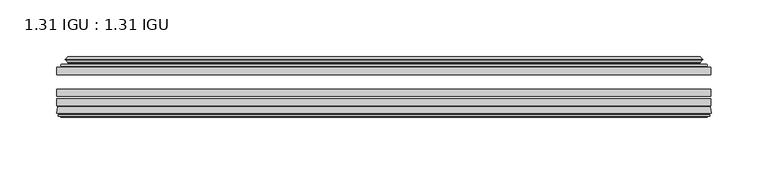
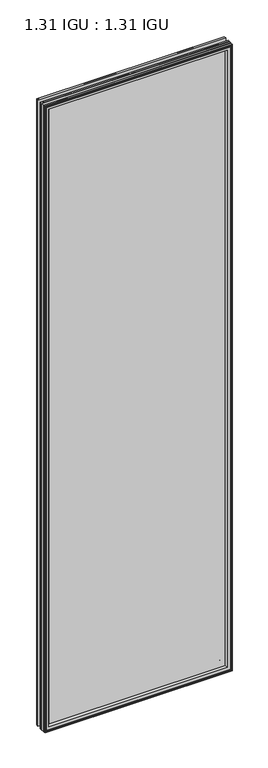
"""IFC4 building model written with IfcOpenShell, lengths in millimetres: plate geometry, 1.31 IGU : 1.31 IGU."""

from ifc_helpers import new_model, si_unit, frame, origin, place, context, project, spatial, polyline, ellipse_curve, outline, extrude, source, transform, mapped, element, save
from ifc_brep_helpers import plane_surface, cylinder_surface, revolved_surface, advanced_brep


def plate_1_31_igu_1_31_igu_b3a9a6b5(model_context):
    return source(origin(), model_context, "Body", "SolidModel", [
        extrude(outline(polyline([(287.2705532, -51.7723437), (287.2705532, -58.1223438), (-287.3375, -58.1223438), (-287.3375, -51.7723437), (287.2705532, -51.7723437)])), frame((0.0, 0.0, -14.2875), z_axis=(0.0, 0.0, 1.0), x_axis=(1.0, 0.0, 0.0)), (0.0, 0.0, 1.0), 2025.65),
        extrude(outline(polyline([(-287.3375, -85.4273438), (-287.3375, -79.0773437), (287.2705532, -79.0773437), (287.2705532, -85.4273438), (-287.3375, -85.4273438)])), frame((0.0, 0.0, -14.2875), z_axis=(0.0, 0.0, 1.0), x_axis=(1.0, 0.0, 0.0)), (0.0, 0.0, 1.0), 2025.65),
        extrude(outline(polyline([(-287.3375, -77.1723438), (-287.3375, -70.8223438), (287.2705532, -70.8223438), (287.2705532, -77.1723438), (-287.3375, -77.1723438)])), frame((0.0, 0.0, -14.2875), z_axis=(0.0, 0.0, 1.0), x_axis=(1.0, 0.0, 0.0)), (0.0, 0.0, 1.0), 2025.65),
        advanced_brep(
        [(-287.3502, -91.7773437, 2011.3752), (-286.6554162, -86.1187838, 2010.6804162), (-286.6554162, -86.1187838, -13.6054162), (-287.3502, -91.7773437, -14.3002), (-284.9626, -93.768408, 2008.9876), (-285.4198, -91.7773437, 2009.4448), (-285.4198, -91.7773437, -12.3698), (-284.9626, -93.768408, -11.9126), (-285.9639619, -93.5000939, 2009.9889619), (-285.9639619, -93.5000939, -12.9139619), (-286.2072, -94.407871, 2010.2322), (-286.2072, -94.407871, -13.1572), (-284.1752, -94.9523437, 2008.2002), (-284.1752, -94.9523437, -11.1252), (-282.1432, -94.407871, 2006.1682), (-282.1432, -94.407871, -9.0932), (-282.3864381, -93.5000939, 2006.4114381), (-282.3864381, -93.5000939, -9.3364381), (-283.3878, -93.768408, 2007.4128), (-283.3878, -93.768408, -10.3378), (-282.9306, -91.7773437, 2006.9556), (-282.9306, -91.7773437, -9.8806), (-268.8609786, -85.4273437, 1992.8859786), (-273.05, -91.7773437, 1997.075), (-273.05, -91.7773437, 0.0), (-268.8609786, -85.4273437, 4.1890214), (-285.8738854, -85.4273437, 2009.8988854), (-285.8738854, -85.4273437, -12.8238854), (286.6554162, -86.1187838, -13.6054162), (287.3502, -91.7773437, -14.3002), (285.4198, -91.7773437, -12.3698), (284.9626, -93.768408, -11.9126), (285.9639619, -93.5000939, -12.9139619), (286.2072, -94.407871, -13.1572), (284.1752, -94.9523437, -11.1252), (282.1432, -94.407871, -9.0932), (282.3864381, -93.5000939, -9.3364381), (283.3878, -93.768408, -10.3378), (282.9306, -91.7773437, -9.8806), (273.05, -91.7773437, 0.0), (268.8609786, -85.4273437, 4.1890214), (285.8738854, -85.4273437, -12.8238854), (286.6554162, -86.1187838, 2010.6804162), (287.3502, -91.7773437, 2011.3752), (285.4198, -91.7773437, 2009.4448), (284.9626, -93.768408, 2008.9876), (285.9639619, -93.5000939, 2009.9889619), (286.2072, -94.407871, 2010.2322), (284.1752, -94.9523437, 2008.2002), (282.1432, -94.407871, 2006.1682), (282.3864381, -93.5000939, 2006.4114381), (283.3878, -93.768408, 2007.4128), (282.9306, -91.7773437, 2006.9556), (273.05, -91.7773437, 1997.075), (268.8609786, -85.4273437, 1992.8859786), (285.8738854, -85.4273437, 2009.8988854)],
        [
            (0, 1),
            (1, 2),
            (2, 3),
            (3, 0),
            (4, 5),
            (5, 6),
            (6, 7),
            (7, 4),
            (8, 4),
            (7, 9),
            (9, 8),
            (10, 8),
            (9, 11),
            (11, 10),
            (12, 10),
            (11, 13),
            (13, 12),
            (14, 12),
            (13, 15),
            (15, 14),
            (16, 14),
            (15, 17),
            (17, 16),
            (18, 16),
            (17, 19),
            (19, 18),
            (20, 18),
            (19, 21),
            (21, 20),
            (22, 23, ellipse_curve(frame((-266.066106, -91.8278132, 1990.091106), z_axis=(0.7071067811865475, 0.0, 0.7071067811865475), x_axis=(0.7071067811865474, 0.0, -0.7071067811865476)), 9.8769754, 6.9840763)),
            (23, 24),
            (24, 25, ellipse_curve(frame((-266.066106, -91.8278132, 6.983894), z_axis=(0.7071067811865475, 0.0, -0.7071067811865475), x_axis=(-0.7071067811865474, 0.0, -0.7071067811865476)), 9.8769754, 6.9840763)),
            (25, 22),
            (1, 26, ellipse_curve(frame((-285.8738854, -86.2147437, 2009.8988854), z_axis=(-0.7071067811865475, 0.0, -0.7071067811865475), x_axis=(-0.7071067811865474, 0.0, 0.7071067811865476)), 1.1135518, 0.7874)),
            (26, 27),
            (27, 2, ellipse_curve(frame((-285.8738854, -86.2147437, -12.8238854), z_axis=(-0.7071067811865475, 0.0, 0.7071067811865475), x_axis=(0.7071067811865474, 0.0, 0.7071067811865476)), 1.1135518, 0.7874)),
            (2, 28),
            (28, 29),
            (29, 3),
            (6, 30),
            (30, 31),
            (31, 7),
            (31, 32),
            (32, 9),
            (32, 33),
            (33, 11),
            (33, 34),
            (34, 13),
            (34, 35),
            (35, 15),
            (35, 36),
            (36, 17),
            (36, 37),
            (37, 19),
            (37, 38),
            (38, 21),
            (24, 39),
            (39, 40, ellipse_curve(frame((266.066106, -91.8278132, 6.983894), z_axis=(0.7071067811865475, 0.0, 0.7071067811865475), x_axis=(0.7071067811865476, 0.0, -0.7071067811865474)), 9.8769754, 6.9840763)),
            (40, 25),
            (27, 41),
            (41, 28, ellipse_curve(frame((285.8738854, -86.2147437, -12.8238854), z_axis=(-0.7071067811865475, 0.0, -0.7071067811865475), x_axis=(-0.7071067811865476, 0.0, 0.7071067811865474)), 1.1135518, 0.7874)),
            (28, 42),
            (42, 43),
            (43, 29),
            (30, 44),
            (44, 45),
            (45, 31),
            (45, 46),
            (46, 32),
            (46, 47),
            (47, 33),
            (47, 48),
            (48, 34),
            (48, 49),
            (49, 35),
            (49, 50),
            (50, 36),
            (50, 51),
            (51, 37),
            (51, 52),
            (52, 38),
            (39, 53),
            (53, 54, ellipse_curve(frame((266.066106, -91.8278132, 1990.091106), z_axis=(-0.7071067811865475, 0.0, 0.7071067811865475), x_axis=(0.7071067811865474, 0.0, 0.7071067811865476)), 9.8769754, 6.9840763)),
            (54, 40),
            (41, 55),
            (55, 42, ellipse_curve(frame((285.8738854, -86.2147437, 2009.8988854), z_axis=(0.7071067811865475, 0.0, -0.7071067811865475), x_axis=(-0.7071067811865474, 0.0, -0.7071067811865476)), 1.1135518, 0.7874)),
            (42, 1),
            (0, 43),
            (5, 44),
            (4, 45),
            (8, 46),
            (10, 47),
            (12, 48),
            (14, 49),
            (16, 50),
            (18, 51),
            (20, 52),
            (23, 53),
            (22, 54),
            (26, 55),
        ],
        [
            plane_surface(frame((-286.6554162, -86.1187838, 2010.6804162), z_axis=(-0.9925461516413241, 0.12186934340513103, 0.0), x_axis=(0.0, 0.0, -1.0))),
            plane_surface(frame((-285.4198, -91.7773437, 2009.4448), z_axis=(-0.9746347637895992, -0.22380142361654515, 0.0), x_axis=(0.0, 0.0, -1.0))),
            plane_surface(frame((-284.9626, -93.768408, 2008.9876), z_axis=(0.25881904510266784, 0.9659258262890289, 0.0), x_axis=(0.0, 0.0, -1.0))),
            plane_surface(frame((-285.9639619, -93.5000939, 2009.9889619), z_axis=(-0.9659258262890449, 0.2588190451026083, 0.0), x_axis=(0.0, 0.0, -1.0))),
            plane_surface(frame((-286.2072, -94.407871, 2010.2322), z_axis=(-0.25881904510250453, -0.9659258262890726, 0.0), x_axis=(0.0, 0.0, -1.0))),
            plane_surface(frame((-284.1752, -94.9523437, 2008.2002), z_axis=(0.258819045102479, -0.9659258262890795, 0.0), x_axis=(0.0, 0.0, -1.0))),
            plane_surface(frame((-282.1432, -94.407871, 2006.1682), z_axis=(0.9659258262890272, 0.25881904510267406, 0.0), x_axis=(0.0, 0.0, -1.0))),
            plane_surface(frame((-282.3864381, -93.5000939, 2006.4114381), z_axis=(-0.25881904510234177, 0.9659258262891163, 0.0), x_axis=(0.0, 0.0, -1.0))),
            plane_surface(frame((-283.3878, -93.768408, 2007.4128), z_axis=(0.9746347637895937, -0.22380142361656946, 0.0), x_axis=(0.0, 0.0, -1.0))),
            revolved_surface(polyline([(-273.0501823, -91.8278132, -0.00018228295266453642), (-273.0501823, -91.8278132, 1997.0751822829527)]), (-266.066106, -91.8278132, 2028.825), (0.0, 0.0, -1.0)),
            cylinder_surface(frame((-285.8738854, -86.2147437, 2028.825), z_axis=(0.0, 0.0, 1.0), x_axis=(-1.0, 0.0, 0.0)), 0.7874),
            plane_surface(frame((-286.6554162, -86.1187838, -13.6054162), z_axis=(0.0, 0.12186934340512784, -0.9925461516413245), x_axis=(1.0, 0.0, 0.0))),
            plane_surface(frame((-285.4198, -91.7773437, -12.3698), z_axis=(0.0, -0.22380142361654828, -0.9746347637895986), x_axis=(1.0, 0.0, 0.0))),
            plane_surface(frame((-284.9626, -93.768408, -11.9126), z_axis=(0.0, 0.9659258262890298, 0.25881904510266474), x_axis=(1.0, 0.0, 0.0))),
            plane_surface(frame((-285.9639619, -93.5000939, -12.9139619), z_axis=(0.0, 0.25881904510260517, -0.9659258262890458), x_axis=(1.0, 0.0, 0.0))),
            plane_surface(frame((-286.2072, -94.407871, -13.1572), z_axis=(0.0, -0.9659258262890735, -0.2588190451025014), x_axis=(1.0, 0.0, 0.0))),
            plane_surface(frame((-284.1752, -94.9523437, -11.1252), z_axis=(0.0, -0.9659258262890786, 0.2588190451024821), x_axis=(1.0, 0.0, 0.0))),
            plane_surface(frame((-282.1432, -94.407871, -9.0932), z_axis=(0.0, 0.2588190451026772, 0.9659258262890265), x_axis=(1.0, 0.0, 0.0))),
            plane_surface(frame((-282.3864381, -93.5000939, -9.3364381), z_axis=(0.0, 0.9659258262891154, -0.2588190451023449), x_axis=(1.0, 0.0, 0.0))),
            plane_surface(frame((-283.3878, -93.768408, -10.3378), z_axis=(0.0, -0.22380142361656633, 0.9746347637895943), x_axis=(1.0, 0.0, 0.0))),
            revolved_surface(polyline([(273.0501822829527, -91.8278132, -0.00018229999999963553), (-273.0501822829527, -91.8278132, -0.00018229999999963553)]), (-304.8, -91.8278132, 6.983894), (1.0, 0.0, 0.0)),
            cylinder_surface(frame((-304.8, -86.2147437, -12.8238854), z_axis=(-1.0, 0.0, 0.0), x_axis=(0.0, 0.0, -1.0)), 0.7874),
            plane_surface(frame((286.6554162, -86.1187838, -13.6054162), z_axis=(0.992546151641325, 0.12186934340512465, 0.0), x_axis=(0.0, 0.0, 1.0))),
            plane_surface(frame((285.4198, -91.7773437, -12.3698), z_axis=(0.9746347637895978, -0.2238014236165514, 0.0), x_axis=(0.0, 0.0, 1.0))),
            plane_surface(frame((284.9626, -93.768408, -11.9126), z_axis=(-0.2588190451026616, 0.9659258262890307, 0.0), x_axis=(0.0, 0.0, 1.0))),
            plane_surface(frame((285.9639619, -93.5000939, -12.9139619), z_axis=(0.9659258262890467, 0.25881904510260206, 0.0), x_axis=(0.0, 0.0, 1.0))),
            plane_surface(frame((286.2072, -94.407871, -13.1572), z_axis=(0.2588190451024983, -0.9659258262890744, 0.0), x_axis=(0.0, 0.0, 1.0))),
            plane_surface(frame((284.1752, -94.9523437, -11.1252), z_axis=(-0.25881904510248527, -0.9659258262890779, 0.0), x_axis=(0.0, 0.0, 1.0))),
            plane_surface(frame((282.1432, -94.407871, -9.0932), z_axis=(-0.9659258262890256, 0.25881904510268033, 0.0), x_axis=(0.0, 0.0, 1.0))),
            plane_surface(frame((282.3864381, -93.5000939, -9.3364381), z_axis=(0.25881904510234804, 0.9659258262891146, 0.0), x_axis=(0.0, 0.0, 1.0))),
            plane_surface(frame((283.3878, -93.768408, -10.3378), z_axis=(-0.974634763789595, -0.2238014236165632, 0.0), x_axis=(0.0, 0.0, 1.0))),
            revolved_surface(polyline([(273.0501823, -91.8278132, 1997.0751822829527), (273.0501823, -91.8278132, -0.0001822829527107217)]), (266.066106, -91.8278132, -31.75), (0.0, 0.0, 1.0)),
            cylinder_surface(frame((285.8738854, -86.2147437, -31.75), z_axis=(0.0, 0.0, -1.0), x_axis=(1.0, 0.0, 0.0)), 0.7874),
            plane_surface(frame((286.6554162, -86.1187838, 2010.6804162), z_axis=(0.0, 0.12186934340512784, 0.9925461516413245), x_axis=(-1.0, 0.0, 0.0))),
            plane_surface(frame((287.3502, -91.7773437, 2011.3752), z_axis=(0.0, -1.0, 0.0), x_axis=(-1.0, 0.0, 0.0))),
            plane_surface(frame((285.4198, -91.7773437, 2009.4448), z_axis=(0.0, -0.22380142361654826, 0.9746347637895985), x_axis=(-1.0, 0.0, 0.0))),
            plane_surface(frame((284.9626, -93.768408, 2008.9876), z_axis=(0.0, 0.9659258262890298, -0.25881904510266474), x_axis=(-1.0, 0.0, 0.0))),
            plane_surface(frame((285.9639619, -93.5000939, 2009.9889619), z_axis=(0.0, 0.25881904510260517, 0.9659258262890458), x_axis=(-1.0, 0.0, 0.0))),
            plane_surface(frame((286.2072, -94.407871, 2010.2322), z_axis=(0.0, -0.9659258262890735, 0.2588190451025014), x_axis=(-1.0, 0.0, 0.0))),
            plane_surface(frame((284.1752, -94.9523437, 2008.2002), z_axis=(0.0, -0.9659258262890787, -0.25881904510248216), x_axis=(-1.0, 0.0, 0.0))),
            plane_surface(frame((282.1432, -94.407871, 2006.1682), z_axis=(0.0, 0.2588190451026772, -0.9659258262890265), x_axis=(-1.0, 0.0, 0.0))),
            plane_surface(frame((282.3864381, -93.5000939, 2006.4114381), z_axis=(0.0, 0.9659258262891155, 0.25881904510234494), x_axis=(-1.0, 0.0, 0.0))),
            plane_surface(frame((283.3878, -93.768408, 2007.4128), z_axis=(0.0, -0.22380142361656633, -0.9746347637895943), x_axis=(-1.0, 0.0, 0.0))),
            plane_surface(frame((282.9306, -91.7773437, 2006.9556), z_axis=(0.0, -1.0, 0.0), x_axis=(-1.0, 0.0, 0.0))),
            revolved_surface(polyline([(-273.0501822829527, -91.8278132, 1997.0751823), (273.0501822829527, -91.8278132, 1997.0751823)]), (304.8, -91.8278132, 1990.091106), (-1.0, 0.0, 0.0)),
            plane_surface(frame((268.8609786, -85.4273437, 1992.8859786), z_axis=(0.0, 1.0, 0.0), x_axis=(-1.0, 0.0, 0.0))),
            cylinder_surface(frame((304.8, -86.2147437, 2009.8988854), z_axis=(1.0, 0.0, 0.0), x_axis=(0.0, 0.0, 1.0)), 0.7874),
        ],
        [
            (0, [[1, 2, 3, 4]]),
            (1, [[5, 6, 7, 8]]),
            (2, [[9, -8, 10, 11]]),
            (3, [[12, -11, 13, 14]]),
            (4, [[15, -14, 16, 17]]),
            (5, [[18, -17, 19, 20]]),
            (6, [[21, -20, 22, 23]]),
            (7, [[24, -23, 25, 26]]),
            (8, [[27, -26, 28, 29]]),
            (9, [[30, 31, 32, 33]]),
            (10, [[34, 35, 36, -2]]),
            (11, [[-3, 37, 38, 39]]),
            (12, [[-7, 40, 41, 42]]),
            (13, [[-10, -42, 43, 44]]),
            (14, [[-13, -44, 45, 46]]),
            (15, [[-16, -46, 47, 48]]),
            (16, [[-19, -48, 49, 50]]),
            (17, [[-22, -50, 51, 52]]),
            (18, [[-25, -52, 53, 54]]),
            (19, [[-28, -54, 55, 56]]),
            (20, [[-32, 57, 58, 59]]),
            (21, [[-36, 60, 61, -37]]),
            (22, [[-38, 62, 63, 64]]),
            (23, [[-41, 65, 66, 67]]),
            (24, [[-43, -67, 68, 69]]),
            (25, [[-45, -69, 70, 71]]),
            (26, [[-47, -71, 72, 73]]),
            (27, [[-49, -73, 74, 75]]),
            (28, [[-51, -75, 76, 77]]),
            (29, [[-53, -77, 78, 79]]),
            (30, [[-55, -79, 80, 81]]),
            (31, [[-58, 82, 83, 84]]),
            (32, [[-61, 85, 86, -62]]),
            (33, [[-63, 87, -1, 88]]),
            (34, [[-39, -64, -88, -4], [89, -65, -40, -6]]),
            (35, [[-66, -89, -5, 90]]),
            (36, [[-68, -90, -9, 91]]),
            (37, [[-70, -91, -12, 92]]),
            (38, [[-72, -92, -15, 93]]),
            (39, [[-74, -93, -18, 94]]),
            (40, [[-76, -94, -21, 95]]),
            (41, [[-78, -95, -24, 96]]),
            (42, [[-80, -96, -27, 97]]),
            (43, [[-56, -81, -97, -29], [98, -82, -57, -31]]),
            (44, [[-83, -98, -30, 99]]),
            (45, [[100, -85, -60, -35], [-59, -84, -99, -33]]),
            (46, [[-86, -100, -34, -87]]),
        ],
    ),
        advanced_brep(
        [(-269.0022902, -50.6812421, 1993.0272902), (-269.4441004, -51.7723437, 1993.4691004), (-269.4441004, -51.7723437, 3.6058996), (-269.0022902, -50.6812421, 4.0477098), (-273.05, -42.9585437, 1997.075), (-273.05, -42.9585437, 0.0), (-278.2359109, -44.1396428, 2002.2609109), (-278.2359109, -44.1396428, -5.1859109), (-277.9063356, -43.3125262, 2001.9313356), (-277.9063356, -43.3125262, -4.8563356), (-277.9063356, -42.4982749, 2001.9313356), (-277.9063356, -42.4982749, -4.8563356), (-279.7226111, -44.4569108, 2003.7476111), (-279.7226111, -44.4569108, -6.6726111), (-279.7226111, -45.1700367, 2003.7476111), (-279.7226111, -45.1700367, -6.6726111), (-277.9063356, -47.1188911, 2001.9313356), (-277.9063356, -47.1188911, -4.8563356), (-277.9063356, -46.3144213, 2001.9313356), (-277.9063356, -46.3144213, -4.8563356), (-278.2282501, -45.5065305, 2002.2532501), (-278.2282501, -45.5065305, -5.1782501), (-275.7044379, -45.3481387, 1999.7294379), (-275.7044379, -45.3481387, -2.6544379), (-274.6786217, -46.0358481, 1998.7036217), (-274.6786217, -46.0358481, -1.6286217), (-274.7970288, -47.4303169, 1998.8220288), (-274.7970288, -47.4303169, -1.7470288), (-275.3987748, -48.9275437, 1999.4237748), (-275.3987748, -48.9275437, -2.3487748), (-283.3245553, -50.8359667, 2007.3495553), (-282.8389245, -48.9275437, 2006.8639245), (-282.8389245, -48.9275437, -9.7889245), (-283.3245553, -50.8359667, -10.2745553), (-281.6038155, -51.7723437, 2005.6288155), (-281.6038155, -51.7723437, -8.5538155), (269.4441004, -51.7723437, 3.6058996), (269.0022902, -50.6812421, 4.0477098), (273.05, -42.9585437, 0.0), (278.2359109, -44.1396428, -5.1859109), (277.9063356, -43.3125262, -4.8563356), (277.9063356, -42.4982749, -4.8563356), (279.7226111, -44.4569108, -6.6726111), (279.7226111, -45.1700367, -6.6726111), (277.9063356, -47.1188911, -4.8563356), (277.9063356, -46.3144213, -4.8563356), (278.2282501, -45.5065305, -5.1782501), (275.7044379, -45.3481387, -2.6544379), (274.6786217, -46.0358481, -1.6286217), (274.7970288, -47.4303169, -1.7470288), (275.3987748, -48.9275437, -2.3487748), (282.8389245, -48.9275437, -9.7889245), (283.3245553, -50.8359667, -10.2745553), (281.6038155, -51.7723437, -8.5538155), (269.4441004, -51.7723437, 1993.4691004), (269.0022902, -50.6812421, 1993.0272902), (273.05, -42.9585437, 1997.075), (278.2359109, -44.1396428, 2002.2609109), (277.9063356, -43.3125262, 2001.9313356), (277.9063356, -42.4982749, 2001.9313356), (279.7226111, -44.4569108, 2003.7476111), (279.7226111, -45.1700367, 2003.7476111), (277.9063356, -47.1188911, 2001.9313356), (277.9063356, -46.3144213, 2001.9313356), (278.2282501, -45.5065305, 2002.2532501), (275.7044379, -45.3481387, 1999.7294379), (274.6786217, -46.0358481, 1998.7036217), (274.7970288, -47.4303169, 1998.8220288), (275.3987748, -48.9275437, 1999.4237748), (282.8389245, -48.9275437, 2006.8639245), (283.3245553, -50.8359667, 2007.3495553), (281.6038155, -51.7723437, 2005.6288155)],
        [
            (0, 1, ellipse_curve(frame((-269.4441004, -51.1373437, 1993.4691004), z_axis=(-0.7071067811865475, 0.0, -0.7071067811865475), x_axis=(-0.7071067811865474, 0.0, 0.7071067811865476)), 0.8980256, 0.635)),
            (1, 2),
            (2, 3, ellipse_curve(frame((-269.4441004, -51.1373437, 3.6058996), z_axis=(-0.7071067811865475, 0.0, 0.7071067811865475), x_axis=(0.7071067811865474, 0.0, 0.7071067811865476)), 0.8980256, 0.635)),
            (3, 0),
            (4, 0, ellipse_curve(frame((-259.3172054, -40.6828682, 1983.3422054), z_axis=(0.7071067811865475, 0.0, 0.7071067811865475), x_axis=(0.7071067811865474, 0.0, -0.7071067811865476)), 19.6859517, 13.9200699)),
            (3, 5, ellipse_curve(frame((-259.3172054, -40.6828682, 13.7327946), z_axis=(0.7071067811865475, 0.0, -0.7071067811865475), x_axis=(-0.7071067811865474, 0.0, -0.7071067811865476)), 19.6859517, 13.9200699)),
            (5, 4),
            (6, 4),
            (5, 7),
            (7, 6),
            (8, 6),
            (7, 9),
            (9, 8),
            (10, 8),
            (9, 11),
            (11, 10),
            (12, 10),
            (11, 13),
            (13, 12),
            (14, 12, ellipse_curve(frame((-279.3607729, -44.8134737, 2003.3857729), z_axis=(-0.7071067811865475, 0.0, -0.7071067811865475), x_axis=(-0.7071067811865474, 0.0, 0.7071067811865476)), 0.7184205, 0.508)),
            (13, 15, ellipse_curve(frame((-279.3607729, -44.8134737, -6.3107729), z_axis=(-0.7071067811865475, 0.0, 0.7071067811865475), x_axis=(0.7071067811865474, 0.0, 0.7071067811865476)), 0.7184205, 0.508)),
            (15, 14),
            (16, 14),
            (15, 17),
            (17, 16),
            (18, 16),
            (17, 19),
            (19, 18),
            (20, 18),
            (19, 21),
            (21, 20),
            (22, 20),
            (21, 23),
            (23, 22),
            (24, 22, ellipse_curve(frame((-275.6408, -46.3621437, 1999.6658), z_axis=(0.7071067811865475, 0.0, 0.7071067811865475), x_axis=(0.7071067811865474, 0.0, -0.7071067811865476)), 1.436841, 1.016)),
            (23, 25, ellipse_curve(frame((-275.6408, -46.3621437, -2.5908), z_axis=(0.7071067811865475, 0.0, -0.7071067811865475), x_axis=(-0.7071067811865474, 0.0, -0.7071067811865476)), 1.436841, 1.016)),
            (25, 24),
            (26, 24, ellipse_curve(frame((-277.0124, -46.5399437, 2001.0374), z_axis=(0.7071067811865475, 0.0, 0.7071067811865475), x_axis=(0.7071067811865474, 0.0, -0.7071067811865476)), 3.3765763, 2.3876)),
            (25, 27, ellipse_curve(frame((-277.0124, -46.5399437, -3.9624), z_axis=(0.7071067811865475, 0.0, -0.7071067811865475), x_axis=(-0.7071067811865474, 0.0, -0.7071067811865476)), 3.3765763, 2.3876)),
            (27, 26),
            (28, 26),
            (27, 29),
            (29, 28),
            (30, 31, ellipse_curve(frame((-282.8389245, -49.9435437, 2006.8639245), z_axis=(-0.7071067811865475, 0.0, -0.7071067811865475), x_axis=(-0.7071067811865474, 0.0, 0.7071067811865476)), 1.436841, 1.016)),
            (31, 32),
            (32, 33, ellipse_curve(frame((-282.8389245, -49.9435437, -9.7889245), z_axis=(-0.7071067811865475, 0.0, 0.7071067811865475), x_axis=(0.7071067811865474, 0.0, 0.7071067811865476)), 1.436841, 1.016)),
            (33, 30),
            (34, 30),
            (33, 35),
            (35, 34),
            (2, 36),
            (36, 37, ellipse_curve(frame((269.4441004, -51.1373437, 3.6058996), z_axis=(-0.7071067811865475, 0.0, -0.7071067811865475), x_axis=(-0.7071067811865476, 0.0, 0.7071067811865474)), 0.8980256, 0.635)),
            (37, 3),
            (37, 38, ellipse_curve(frame((259.3172054, -40.6828682, 13.7327946), z_axis=(0.7071067811865475, 0.0, 0.7071067811865475), x_axis=(0.7071067811865476, 0.0, -0.7071067811865474)), 19.6859517, 13.9200699)),
            (38, 5),
            (38, 39),
            (39, 7),
            (39, 40),
            (40, 9),
            (40, 41),
            (41, 11),
            (41, 42),
            (42, 13),
            (42, 43, ellipse_curve(frame((279.3607729, -44.8134737, -6.3107729), z_axis=(-0.7071067811865475, 0.0, -0.7071067811865475), x_axis=(-0.7071067811865476, 0.0, 0.7071067811865474)), 0.7184205, 0.508)),
            (43, 15),
            (43, 44),
            (44, 17),
            (44, 45),
            (45, 19),
            (45, 46),
            (46, 21),
            (46, 47),
            (47, 23),
            (47, 48, ellipse_curve(frame((275.6408, -46.3621437, -2.5908), z_axis=(0.7071067811865475, 0.0, 0.7071067811865475), x_axis=(0.7071067811865476, 0.0, -0.7071067811865474)), 1.436841, 1.016)),
            (48, 25),
            (48, 49, ellipse_curve(frame((277.0124, -46.5399437, -3.9624), z_axis=(0.7071067811865475, 0.0, 0.7071067811865475), x_axis=(0.7071067811865476, 0.0, -0.7071067811865474)), 3.3765763, 2.3876)),
            (49, 27),
            (49, 50),
            (50, 29),
            (32, 51),
            (51, 52, ellipse_curve(frame((282.8389245, -49.9435437, -9.7889245), z_axis=(-0.7071067811865475, 0.0, -0.7071067811865475), x_axis=(-0.7071067811865476, 0.0, 0.7071067811865474)), 1.436841, 1.016)),
            (52, 33),
            (52, 53),
            (53, 35),
            (36, 54),
            (54, 55, ellipse_curve(frame((269.4441004, -51.1373437, 1993.4691004), z_axis=(0.7071067811865475, 0.0, -0.7071067811865475), x_axis=(-0.7071067811865474, 0.0, -0.7071067811865476)), 0.8980256, 0.635)),
            (55, 37),
            (55, 56, ellipse_curve(frame((259.3172054, -40.6828682, 1983.3422054), z_axis=(-0.7071067811865475, 0.0, 0.7071067811865475), x_axis=(0.7071067811865474, 0.0, 0.7071067811865476)), 19.6859517, 13.9200699)),
            (56, 38),
            (56, 57),
            (57, 39),
            (57, 58),
            (58, 40),
            (58, 59),
            (59, 41),
            (59, 60),
            (60, 42),
            (60, 61, ellipse_curve(frame((279.3607729, -44.8134737, 2003.3857729), z_axis=(0.7071067811865475, 0.0, -0.7071067811865475), x_axis=(-0.7071067811865474, 0.0, -0.7071067811865476)), 0.7184205, 0.508)),
            (61, 43),
            (61, 62),
            (62, 44),
            (62, 63),
            (63, 45),
            (63, 64),
            (64, 46),
            (64, 65),
            (65, 47),
            (65, 66, ellipse_curve(frame((275.6408, -46.3621437, 1999.6658), z_axis=(-0.7071067811865475, 0.0, 0.7071067811865475), x_axis=(0.7071067811865474, 0.0, 0.7071067811865476)), 1.436841, 1.016)),
            (66, 48),
            (66, 67, ellipse_curve(frame((277.0124, -46.5399437, 2001.0374), z_axis=(-0.7071067811865475, 0.0, 0.7071067811865475), x_axis=(0.7071067811865474, 0.0, 0.7071067811865476)), 3.3765763, 2.3876)),
            (67, 49),
            (67, 68),
            (68, 50),
            (51, 69),
            (69, 70, ellipse_curve(frame((282.8389245, -49.9435437, 2006.8639245), z_axis=(0.7071067811865475, 0.0, -0.7071067811865475), x_axis=(-0.7071067811865474, 0.0, -0.7071067811865476)), 1.436841, 1.016)),
            (70, 52),
            (70, 71),
            (71, 53),
            (54, 1),
            (0, 55),
            (4, 56),
            (6, 57),
            (8, 58),
            (10, 59),
            (12, 60),
            (14, 61),
            (16, 62),
            (18, 63),
            (20, 64),
            (22, 65),
            (24, 66),
            (26, 67),
            (28, 68),
            (31, 69),
            (30, 70),
            (34, 71),
        ],
        [
            cylinder_surface(frame((-269.4441004, -51.1373437, 2028.825), z_axis=(0.0, 0.0, 1.0), x_axis=(-1.0, 0.0, 0.0)), 0.635),
            revolved_surface(polyline([(-273.23727529999996, -40.6828682, -0.18727534118079348), (-273.23727529999996, -40.6828682, 1997.2622753411808)]), (-259.3172054, -40.6828682, 2028.825), (0.0, 0.0, -1.0)),
            plane_surface(frame((-273.05, -42.9585437, 1997.075), z_axis=(-0.22206498442778808, 0.9750318675259215, 0.0), x_axis=(0.0, 0.0, -1.0))),
            plane_surface(frame((-278.2359109, -44.1396428, 2002.2609109), z_axis=(0.9289682685629942, -0.3701593656833133, 0.0), x_axis=(0.0, 0.0, -1.0))),
            plane_surface(frame((-277.9063356, -43.3125262, 2001.9313356), z_axis=(1.0, 0.0, 0.0), x_axis=(0.0, 0.0, -1.0))),
            plane_surface(frame((-277.9063356, -42.4982749, 2001.9313356), z_axis=(-0.7332521292723948, 0.6799568478348454, 0.0), x_axis=(0.0, 0.0, -1.0))),
            cylinder_surface(frame((-279.3607729, -44.8134737, 2028.825), z_axis=(0.0, 0.0, 1.0), x_axis=(-1.0, 0.0, 0.0)), 0.508),
            plane_surface(frame((-279.7226111, -45.1700367, 2003.7476111), z_axis=(-0.7315522693036389, -0.6817853601220082, 0.0), x_axis=(0.0, 0.0, -1.0))),
            plane_surface(frame((-277.9063356, -47.1188911, 2001.9313356), z_axis=(1.0, 0.0, 0.0), x_axis=(0.0, 0.0, -1.0))),
            plane_surface(frame((-277.9063356, -46.3144213, 2001.9313356), z_axis=(0.9289682685631103, 0.37015936568302166, 0.0), x_axis=(0.0, 0.0, -1.0))),
            plane_surface(frame((-278.2282501, -45.5065305, 2002.2532501), z_axis=(0.06263570119321646, -0.9980364567169048, 0.0), x_axis=(0.0, 0.0, -1.0))),
            revolved_surface(polyline([(-276.65680000000003, -46.3621437, -3.6068000145867245), (-276.65680000000003, -46.3621437, 2000.6818000145868)]), (-275.6408, -46.3621437, 2028.825), (0.0, 0.0, -1.0)),
            revolved_surface(polyline([(-279.40000000000003, -46.5399437, -6.3499999989237494), (-279.40000000000003, -46.5399437, 2003.4249999989238)]), (-277.0124, -46.5399437, 2028.825), (0.0, 0.0, -1.0)),
            plane_surface(frame((-274.7970288, -47.4303169, 1998.8220288), z_axis=(-0.927865292542892, 0.3729155385530262, 0.0), x_axis=(0.0, 0.0, -1.0))),
            cylinder_surface(frame((-282.8389245, -49.9435437, 2028.825), z_axis=(0.0, 0.0, 1.0), x_axis=(-1.0, 0.0, 0.0)), 1.016),
            plane_surface(frame((-283.3245553, -50.8359667, 2007.3495553), z_axis=(-0.477983117370979, -0.8783690223979447, 0.0), x_axis=(0.0, 0.0, -1.0))),
            cylinder_surface(frame((-304.8, -51.1373437, 3.6058996), z_axis=(-1.0, 0.0, 0.0), x_axis=(0.0, 0.0, -1.0)), 0.635),
            revolved_surface(polyline([(273.2372753411808, -40.6828682, -0.1872752999999996), (-273.2372753411808, -40.6828682, -0.1872752999999996)]), (-304.8, -40.6828682, 13.7327946), (1.0, 0.0, 0.0)),
            plane_surface(frame((-273.05, -42.9585437, 0.0), z_axis=(0.0, 0.9750318675259209, -0.2220649844277912), x_axis=(1.0, 0.0, 0.0))),
            plane_surface(frame((-278.2359109, -44.1396428, -5.1859109), z_axis=(0.0, -0.3701593656833103, 0.9289682685629954), x_axis=(1.0, 0.0, 0.0))),
            plane_surface(frame((-277.9063356, -43.3125262, -4.8563356), z_axis=(0.0, 0.0, 1.0), x_axis=(1.0, 0.0, 0.0))),
            plane_surface(frame((-277.9063356, -42.4982749, -4.8563356), z_axis=(0.0, 0.6799568478348431, -0.733252129272397), x_axis=(1.0, 0.0, 0.0))),
            cylinder_surface(frame((-304.8, -44.8134737, -6.3107729), z_axis=(-1.0, 0.0, 0.0), x_axis=(0.0, 0.0, -1.0)), 0.508),
            plane_surface(frame((-279.7226111, -45.1700367, -6.6726111), z_axis=(0.0, -0.6817853601220105, -0.7315522693036367), x_axis=(1.0, 0.0, 0.0))),
            plane_surface(frame((-277.9063356, -47.1188911, -4.8563356), z_axis=(0.0, 0.0, 1.0), x_axis=(1.0, 0.0, 0.0))),
            plane_surface(frame((-277.9063356, -46.3144213, -4.8563356), z_axis=(0.0, 0.37015936568302465, 0.9289682685631091), x_axis=(1.0, 0.0, 0.0))),
            plane_surface(frame((-278.2282501, -45.5065305, -5.1782501), z_axis=(0.0, -0.9980364567169046, 0.06263570119321968), x_axis=(1.0, 0.0, 0.0))),
            revolved_surface(polyline([(276.65680001458696, -46.3621437, -3.6068000000000002), (-276.65680001458685, -46.3621437, -3.6068000000000002)]), (-304.8, -46.3621437, -2.5908), (1.0, 0.0, 0.0)),
            revolved_surface(polyline([(279.39999999892376, -46.5399437, -6.35), (-279.3999999989238, -46.5399437, -6.35)]), (-304.8, -46.5399437, -3.9624), (1.0, 0.0, 0.0)),
            plane_surface(frame((-274.7970288, -47.4303169, -1.7470288), z_axis=(0.0, 0.37291553855302323, -0.9278652925428932), x_axis=(1.0, 0.0, 0.0))),
            cylinder_surface(frame((-304.8, -49.9435437, -9.7889245), z_axis=(-1.0, 0.0, 0.0), x_axis=(0.0, 0.0, -1.0)), 1.016),
            plane_surface(frame((-283.3245553, -50.8359667, -10.2745553), z_axis=(0.0, -0.8783690223979462, -0.47798311737097615), x_axis=(1.0, 0.0, 0.0))),
            cylinder_surface(frame((269.4441004, -51.1373437, -31.75), z_axis=(0.0, 0.0, -1.0), x_axis=(1.0, 0.0, 0.0)), 0.635),
            revolved_surface(polyline([(273.23727529999996, -40.6828682, 1997.2622753411808), (273.23727529999996, -40.6828682, -0.1872753411808432)]), (259.3172054, -40.6828682, -31.75), (0.0, 0.0, 1.0)),
            plane_surface(frame((273.05, -42.9585437, 0.0), z_axis=(0.22206498442779435, 0.9750318675259202, 0.0), x_axis=(0.0, 0.0, 1.0))),
            plane_surface(frame((278.2359109, -44.1396428, -5.1859109), z_axis=(-0.9289682685629966, -0.3701593656833073, 0.0), x_axis=(0.0, 0.0, 1.0))),
            plane_surface(frame((277.9063356, -43.3125262, -4.8563356), z_axis=(-1.0, 0.0, 0.0), x_axis=(0.0, 0.0, 1.0))),
            plane_surface(frame((277.9063356, -42.4982749, -4.8563356), z_axis=(0.7332521292723992, 0.6799568478348408, 0.0), x_axis=(0.0, 0.0, 1.0))),
            cylinder_surface(frame((279.3607729, -44.8134737, -31.75), z_axis=(0.0, 0.0, -1.0), x_axis=(1.0, 0.0, 0.0)), 0.508),
            plane_surface(frame((279.7226111, -45.1700367, -6.6726111), z_axis=(0.7315522693036345, -0.6817853601220129, 0.0), x_axis=(0.0, 0.0, 1.0))),
            plane_surface(frame((277.9063356, -47.1188911, -4.8563356), z_axis=(-1.0, 0.0, 0.0), x_axis=(0.0, 0.0, 1.0))),
            plane_surface(frame((277.9063356, -46.3144213, -4.8563356), z_axis=(-0.928968268563108, 0.3701593656830277, 0.0), x_axis=(0.0, 0.0, 1.0))),
            plane_surface(frame((278.2282501, -45.5065305, -5.1782501), z_axis=(-0.0626357011932229, -0.9980364567169043, 0.0), x_axis=(0.0, 0.0, 1.0))),
            revolved_surface(polyline([(276.65680000000003, -46.3621437, 2000.6818000145868), (276.65680000000003, -46.3621437, -3.606800014586863)]), (275.6408, -46.3621437, -31.75), (0.0, 0.0, 1.0)),
            revolved_surface(polyline([(279.40000000000003, -46.5399437, 2003.4249999989238), (279.40000000000003, -46.5399437, -6.349999998923781)]), (277.0124, -46.5399437, -31.75), (0.0, 0.0, 1.0)),
            plane_surface(frame((274.7970288, -47.4303169, -1.7470288), z_axis=(0.9278652925428944, 0.37291553855302023, 0.0), x_axis=(0.0, 0.0, 1.0))),
            cylinder_surface(frame((282.8389245, -49.9435437, -31.75), z_axis=(0.0, 0.0, -1.0), x_axis=(1.0, 0.0, 0.0)), 1.016),
            plane_surface(frame((283.3245553, -50.8359667, -10.2745553), z_axis=(0.4779831173709733, -0.8783690223979478, 0.0), x_axis=(0.0, 0.0, 1.0))),
            cylinder_surface(frame((304.8, -51.1373437, 1993.4691004), z_axis=(1.0, 0.0, 0.0), x_axis=(0.0, 0.0, 1.0)), 0.635),
            revolved_surface(polyline([(-273.2372753411808, -40.6828682, 1997.2622753), (273.2372753411808, -40.6828682, 1997.2622753)]), (304.8, -40.6828682, 1983.3422054), (-1.0, 0.0, 0.0)),
            plane_surface(frame((273.05, -42.9585437, 1997.075), z_axis=(0.0, 0.9750318675259209, 0.2220649844277912), x_axis=(-1.0, 0.0, 0.0))),
            plane_surface(frame((278.2359109, -44.1396428, 2002.2609109), z_axis=(0.0, -0.3701593656833103, -0.9289682685629954), x_axis=(-1.0, 0.0, 0.0))),
            plane_surface(frame((277.9063356, -43.3125262, 2001.9313356), z_axis=(0.0, 0.0, -1.0), x_axis=(-1.0, 0.0, 0.0))),
            plane_surface(frame((277.9063356, -42.4982749, 2001.9313356), z_axis=(0.0, 0.6799568478348431, 0.733252129272397), x_axis=(-1.0, 0.0, 0.0))),
            cylinder_surface(frame((304.8, -44.8134737, 2003.3857729), z_axis=(1.0, 0.0, 0.0), x_axis=(0.0, 0.0, 1.0)), 0.508),
            plane_surface(frame((279.7226111, -45.1700367, 2003.7476111), z_axis=(0.0, -0.6817853601220105, 0.7315522693036367), x_axis=(-1.0, 0.0, 0.0))),
            plane_surface(frame((277.9063356, -47.1188911, 2001.9313356), z_axis=(0.0, 0.0, -1.0), x_axis=(-1.0, 0.0, 0.0))),
            plane_surface(frame((277.9063356, -46.3144213, 2001.9313356), z_axis=(0.0, 0.3701593656830247, -0.9289682685631092), x_axis=(-1.0, 0.0, 0.0))),
            plane_surface(frame((278.2282501, -45.5065305, 2002.2532501), z_axis=(0.0, -0.9980364567169046, -0.06263570119321968), x_axis=(-1.0, 0.0, 0.0))),
            revolved_surface(polyline([(-276.65680001458696, -46.3621437, 2000.6818), (276.65680001458685, -46.3621437, 2000.6818)]), (304.8, -46.3621437, 1999.6658), (-1.0, 0.0, 0.0)),
            revolved_surface(polyline([(-279.39999999892376, -46.5399437, 2003.425), (279.3999999989238, -46.5399437, 2003.425)]), (304.8, -46.5399437, 2001.0374), (-1.0, 0.0, 0.0)),
            plane_surface(frame((274.7970288, -47.4303169, 1998.8220288), z_axis=(0.0, 0.37291553855302323, 0.9278652925428932), x_axis=(-1.0, 0.0, 0.0))),
            plane_surface(frame((275.3987748, -48.9275437, 1999.4237748), z_axis=(0.0, 1.0, 0.0), x_axis=(-1.0, 0.0, 0.0))),
            cylinder_surface(frame((304.8, -49.9435437, 2006.8639245), z_axis=(1.0, 0.0, 0.0), x_axis=(0.0, 0.0, 1.0)), 1.016),
            plane_surface(frame((283.3245553, -50.8359667, 2007.3495553), z_axis=(0.0, -0.8783690223979462, 0.47798311737097615), x_axis=(-1.0, 0.0, 0.0))),
            plane_surface(frame((281.6038155, -51.7723437, 2005.6288155), z_axis=(0.0, -1.0, 0.0), x_axis=(-1.0, 0.0, 0.0))),
        ],
        [
            (0, [[1, 2, 3, 4]]),
            (1, [[5, -4, 6, 7]]),
            (2, [[8, -7, 9, 10]]),
            (3, [[11, -10, 12, 13]]),
            (4, [[14, -13, 15, 16]]),
            (5, [[17, -16, 18, 19]]),
            (6, [[20, -19, 21, 22]]),
            (7, [[23, -22, 24, 25]]),
            (8, [[26, -25, 27, 28]]),
            (9, [[29, -28, 30, 31]]),
            (10, [[32, -31, 33, 34]]),
            (11, [[35, -34, 36, 37]]),
            (12, [[38, -37, 39, 40]]),
            (13, [[41, -40, 42, 43]]),
            (14, [[44, 45, 46, 47]]),
            (15, [[48, -47, 49, 50]]),
            (16, [[-3, 51, 52, 53]]),
            (17, [[-6, -53, 54, 55]]),
            (18, [[-9, -55, 56, 57]]),
            (19, [[-12, -57, 58, 59]]),
            (20, [[-15, -59, 60, 61]]),
            (21, [[-18, -61, 62, 63]]),
            (22, [[-21, -63, 64, 65]]),
            (23, [[-24, -65, 66, 67]]),
            (24, [[-27, -67, 68, 69]]),
            (25, [[-30, -69, 70, 71]]),
            (26, [[-33, -71, 72, 73]]),
            (27, [[-36, -73, 74, 75]]),
            (28, [[-39, -75, 76, 77]]),
            (29, [[-42, -77, 78, 79]]),
            (30, [[-46, 80, 81, 82]]),
            (31, [[-49, -82, 83, 84]]),
            (32, [[-52, 85, 86, 87]]),
            (33, [[-54, -87, 88, 89]]),
            (34, [[-56, -89, 90, 91]]),
            (35, [[-58, -91, 92, 93]]),
            (36, [[-60, -93, 94, 95]]),
            (37, [[-62, -95, 96, 97]]),
            (38, [[-64, -97, 98, 99]]),
            (39, [[-66, -99, 100, 101]]),
            (40, [[-68, -101, 102, 103]]),
            (41, [[-70, -103, 104, 105]]),
            (42, [[-72, -105, 106, 107]]),
            (43, [[-74, -107, 108, 109]]),
            (44, [[-76, -109, 110, 111]]),
            (45, [[-78, -111, 112, 113]]),
            (46, [[-81, 114, 115, 116]]),
            (47, [[-83, -116, 117, 118]]),
            (48, [[-86, 119, -1, 120]]),
            (49, [[-88, -120, -5, 121]]),
            (50, [[-90, -121, -8, 122]]),
            (51, [[-92, -122, -11, 123]]),
            (52, [[-94, -123, -14, 124]]),
            (53, [[-96, -124, -17, 125]]),
            (54, [[-98, -125, -20, 126]]),
            (55, [[-100, -126, -23, 127]]),
            (56, [[-102, -127, -26, 128]]),
            (57, [[-104, -128, -29, 129]]),
            (58, [[-106, -129, -32, 130]]),
            (59, [[-108, -130, -35, 131]]),
            (60, [[-110, -131, -38, 132]]),
            (61, [[-112, -132, -41, 133]]),
            (62, [[134, -114, -80, -45], [-79, -113, -133, -43]]),
            (63, [[-115, -134, -44, 135]]),
            (64, [[-117, -135, -48, 136]]),
            (65, [[-84, -118, -136, -50], [-119, -85, -51, -2]]),
        ],
    ),
    ])


if __name__ == "__main__":
    model = new_model("IFC4")
    model_context = context("Model", 3, world=origin())
    ifc_project = project(units=[si_unit("LENGTHUNIT", "METRE", prefix="MILLI")], contexts=[model_context])
    site = spatial("IfcSite", under=ifc_project)
    building = spatial("IfcBuilding", under=site)
    placement = place(None, origin())
    plate_1_31_igu_1_31_igu_shape = plate_1_31_igu_1_31_igu_b3a9a6b5(model_context)
    element("IfcPlate", 1, ObjectType="1.31 IGU : 1.31 IGU", at=placement, inside=building, context=model_context, shape_type="MappedRepresentation", body=[
        mapped(plate_1_31_igu_1_31_igu_shape, transform((0.0, 0.0, 0.0), x_axis=(1.0, 0.0, 0.0), y_axis=(0.0, 1.0, 0.0), z_axis=(0.0, 0.0, 1.0))),
    ])
    save(model, "model.ifc")
